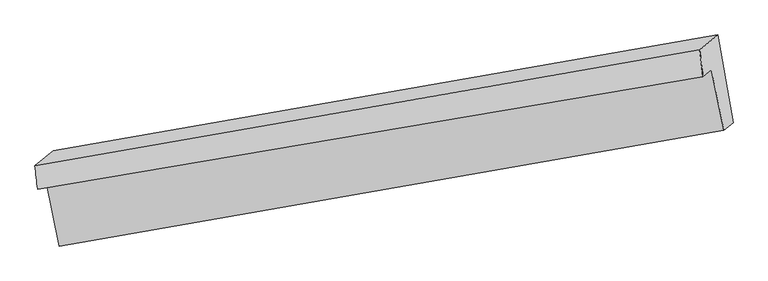
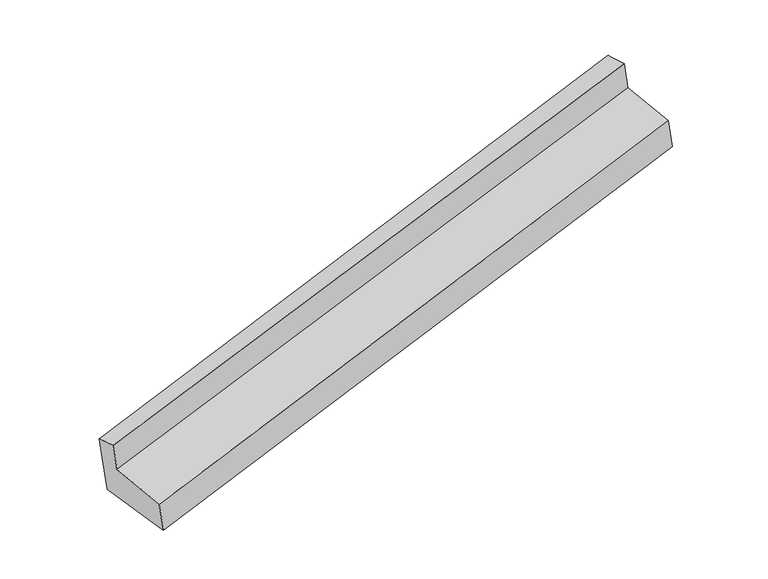
"""IFC4 building model written with IfcOpenShell, lengths in millimetres: proxy geometry."""

from ifc_helpers import new_model, si_unit, frame, origin, place, context, project, spatial, source, transform, mapped, element, save
from ifc_brep_helpers import plane_surface, spline_surface, advanced_brep


def generic_models_07874932(model_context):
    return source(origin(), model_context, "Body", "AdvancedBrep", [
        advanced_brep(
        [(-6247.9620845, -1774.7779153, 1450.6851404), (-6222.6671953, -2007.5500322, 1502.0691221), (264.8776731, -908.1702333, 3188.7488817), (233.5465961, -646.3648975, 3141.9208204), (-6071.431407, -1627.5206077, 685.4598778), (407.8137913, -500.995728, 2386.5073018), (-5920.4220072, -2481.9322935, 652.722956), (558.8231911, -1355.4074139, 2353.77038), (-6012.3742776, -2558.63649, 1051.3177006), (469.0802873, -1430.2686141, 2742.787961), (-6139.4650099, -1938.1449294, 1141.4042501), (347.9492804, -838.8740554, 2828.6500397)],
        [
            (0, 1),
            (1, 2),
            (2, 3),
            (3, 0),
            (4, 0),
            (3, 5),
            (5, 4),
            (6, 4),
            (5, 7),
            (7, 6),
            (8, 6),
            (7, 9),
            (9, 8),
            (10, 8),
            (9, 11),
            (11, 10),
            (1, 10),
            (11, 2),
        ],
        [
            spline_surface(1, 1, [[(-6247.9620845, -1774.7779153, 1450.6851404), (233.5465961, -646.3648975, 3141.9208204)], [(-6222.6671953, -2007.5500322, 1502.0691221), (264.8776731, -908.1702333, 3188.7488817)]], [2, 2], [2, 2], [0.0, 1.0], [0.0, 1.0]),
            plane_surface(frame((-6159.6967458, -1701.1492615, 1068.0725091), z_axis=(-0.2049785845480031, 0.968824503026819, 0.13915050201682505), x_axis=(-0.22093666657322958, -0.18429963072567254, 0.957716364837675))),
            plane_surface(frame((-5995.9267071, -2054.7264506, 669.0914169), z_axis=(0.2401717256022331, 0.07951683986992414, -0.9674681464515236), x_axis=(-0.17391962341485612, 0.9840378069881713, 0.03770356759174286))),
            plane_surface(frame((-5966.3981424, -2520.2843918, 852.0203283), z_axis=(0.2049785845480037, -0.9688245030268186, -0.1391505020168276), x_axis=(0.22093666657320668, 0.18429963072567124, -0.9577163648376804))),
            plane_surface(frame((-6075.9196438, -2248.3907097, 1096.3609753), z_axis=(-0.2181243562068766, -0.18383025554784577, 0.9584509389502154), x_axis=(0.19865751142760404, -0.9699000635602515, -0.14081569464804602))),
            plane_surface(frame((-6181.0661026, -1972.8474808, 1321.7366861), z_axis=(0.20076554560366197, -0.9695462658705141, -0.14026130626443808), x_axis=(0.22093666657322936, 0.18429963072567226, -0.957716364837675))),
            plane_surface(frame((380.3484699, -946.680157, 2773.7308974), z_axis=(0.9548414436527771, 0.1591461995153946, 0.25089899294912854), x_axis=(0.22093666657320668, 0.18429963072567124, -0.9577163648376804))),
            plane_surface(frame((-6102.3869969, -2064.760378, 1080.6098412), z_axis=(-0.9548414436527699, -0.15914619951539952, -0.25089899294915335), x_axis=(-0.10552093246002225, 0.9710392741822862, -0.2143549878316491))),
        ],
        [
            (0, [[1, 2, 3, 4]]),
            (1, [[5, -4, 6, 7]]),
            (2, [[8, -7, 9, 10]]),
            (3, [[11, -10, 12, 13]]),
            (4, [[14, -13, 15, 16]]),
            (5, [[17, -16, 18, -2]]),
            (6, [[-12, -9, -6, -3, -18, -15]]),
            (7, [[-1, -5, -8, -11, -14, -17]]),
        ],
    ),
    ])


if __name__ == "__main__":
    model = new_model("IFC4")
    model_context = context("Model", 3, world=origin())
    ifc_project = project(units=[si_unit("LENGTHUNIT", "METRE", prefix="MILLI")], contexts=[model_context])
    site = spatial("IfcSite", under=ifc_project)
    building = spatial("IfcBuilding", under=site)
    placement = place(None, origin())
    generic_models_shape = generic_models_07874932(model_context)
    element("IfcBuildingElementProxy", 1, Name="Generic Models", at=placement, inside=building, context=model_context, shape_type="MappedRepresentation", body=[
        mapped(generic_models_shape, transform((0.0, 0.0, 0.0), x_axis=(1.0, 0.0, 0.0), y_axis=(0.0, 1.0, 0.0), z_axis=(0.0, 0.0, 1.0))),
    ])
    save(model, "model.ifc")
